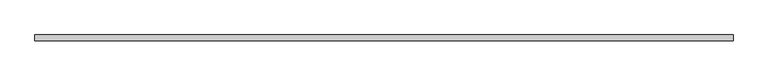
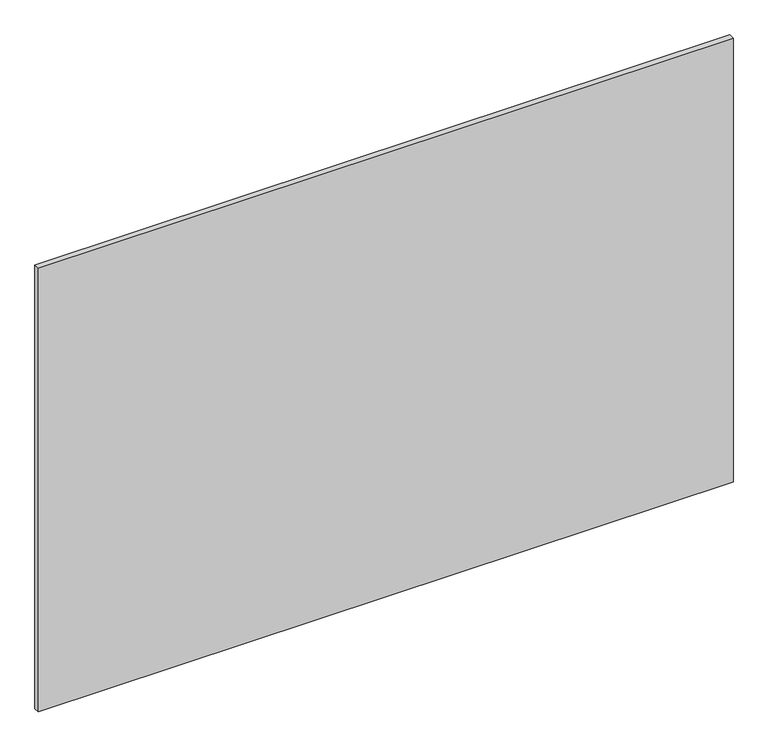
"""IFC4 building model written with IfcOpenShell, lengths in millimetres: plate geometry."""

from ifc_helpers import new_model, si_unit, origin, origin_with_axes, place, context, project, spatial, polyline, outline, extrude, source, transform, mapped, element, save


def plate_083fd178(model_context):
    return source(origin(), model_context, "Body", "SweptSolid", [
        extrude(outline(polyline([(616.6, 5.0), (616.6, -5.0), (-616.6, -5.0), (-616.6, 5.0), (616.6, 5.0)])), origin_with_axes(), (0.0, 0.0, 1.0), 833.3),
    ])


if __name__ == "__main__":
    model = new_model("IFC4")
    model_context = context("Model", 3, world=origin())
    ifc_project = project(units=[si_unit("LENGTHUNIT", "METRE", prefix="MILLI")], contexts=[model_context])
    site = spatial("IfcSite", under=ifc_project)
    building = spatial("IfcBuilding", under=site)
    placement = place(None, origin())
    plate_shape = plate_083fd178(model_context)
    element("IfcPlate", 1, at=placement, inside=building, context=model_context, shape_type="MappedRepresentation", body=[
        mapped(plate_shape, transform((0.0, 0.0, 0.0), x_axis=(1.0, 0.0, 0.0), y_axis=(0.0, 1.0, 0.0), z_axis=(0.0, 0.0, 1.0))),
    ])
    save(model, "model.ifc")
